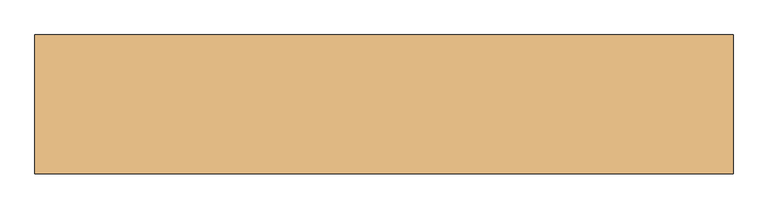
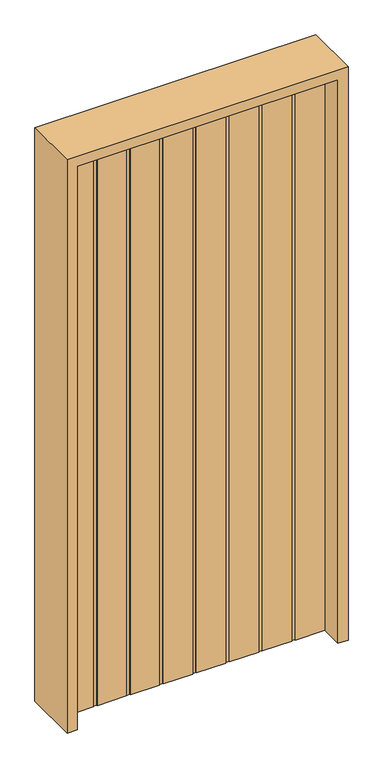
"""IFC4 building model written with IfcOpenShell, lengths in millimetres: door geometry."""

from ifc_helpers import new_model, si_unit, frame, origin, origin_with_axes, place, context, project, spatial, polyline, outline, extrude, source, transform, mapped, element, save


def door_c13e83c6(model_context):
    return source(origin(), model_context, "Body", "SweptSolid", [
        extrude(outline(polyline([(-533.4, -20.6375), (-533.4, 20.6375), (-413.2460938, 20.6375), (-413.2460938, 17.4625), (-397.9664063, 17.4625), (-397.9664063, 20.6375), (-278.0440104, 20.6375), (-278.0440104, 17.4625), (-262.7643229, 17.4625), (-262.7643229, 20.6375), (-142.8419271, 20.6375), (-142.8419271, 17.4625), (-127.5622396, 17.4625), (-127.5622396, 20.6375), (-7.6398438, 20.6375), (-7.6398438, 17.4625), (7.6398437, 17.4625), (7.6398437, 20.6375), (127.5622396, 20.6375), (127.5622396, 17.4625), (142.8419271, 17.4625), (142.8419271, 20.6375), (262.7643229, 20.6375), (262.7643229, 17.4625), (278.0440104, 17.4625), (278.0440104, 20.6375), (397.9664062, 20.6375), (397.9664062, 17.4625), (413.2460937, 17.4625), (413.2460937, 20.6375), (533.4, 20.6375), (533.4, -20.6375), (413.2460937, -20.6375), (413.2460937, -17.4625), (397.9664062, -17.4625), (397.9664062, -20.6375), (278.0440104, -20.6375), (278.0440104, -17.4625), (262.7643229, -17.4625), (262.7643229, -20.6375), (142.8419271, -20.6375), (142.8419271, -17.4625), (127.5622396, -17.4625), (127.5622396, -20.6375), (7.6398437, -20.6375), (7.6398437, -17.4625), (-7.6398438, -17.4625), (-7.6398438, -20.6375), (-127.5622396, -20.6375), (-127.5622396, -17.4625), (-142.8419271, -17.4625), (-142.8419271, -20.6375), (-262.7643229, -20.6375), (-262.7643229, -17.4625), (-278.0440104, -17.4625), (-278.0440104, -20.6375), (-397.9664063, -20.6375), (-397.9664063, -17.4625), (-413.2460938, -17.4625), (-413.2460938, -20.6375), (-533.4, -20.6375)])), origin_with_axes(), (0.0, 0.0, 1.0), 2438.4),
        extrude(outline(polyline([(2479.675, -574.675), (0.0, -574.675), (0.0, -533.4), (2438.4, -533.4), (2438.4, 533.4), (0.0, 533.4), (0.0, 574.675), (2479.675, 574.675), (2479.675, -574.675)])), frame((0.0, -114.3, 0.0), z_axis=(0.0, 1.0, 0.0), x_axis=(0.0, 0.0, 1.0)), (0.0, 0.0, 1.0), 228.6),
    ])


if __name__ == "__main__":
    model = new_model("IFC4")
    model_context = context("Model", 3, world=origin())
    ifc_project = project(units=[si_unit("LENGTHUNIT", "METRE", prefix="MILLI")], contexts=[model_context])
    site = spatial("IfcSite", under=ifc_project)
    building = spatial("IfcBuilding", under=site)
    placement = place(None, origin())
    door_shape = door_c13e83c6(model_context)
    element("IfcDoor", 1, at=placement, inside=building, context=model_context, shape_type="MappedRepresentation", body=[
        mapped(door_shape, transform((0.0, 0.0, 0.0), x_axis=(1.0, 0.0, 0.0), y_axis=(0.0, 1.0, 0.0), z_axis=(0.0, 0.0, 1.0))),
    ])
    save(model, "model.ifc")
